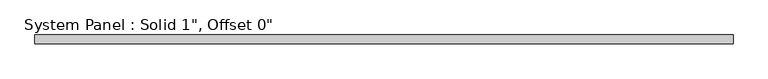
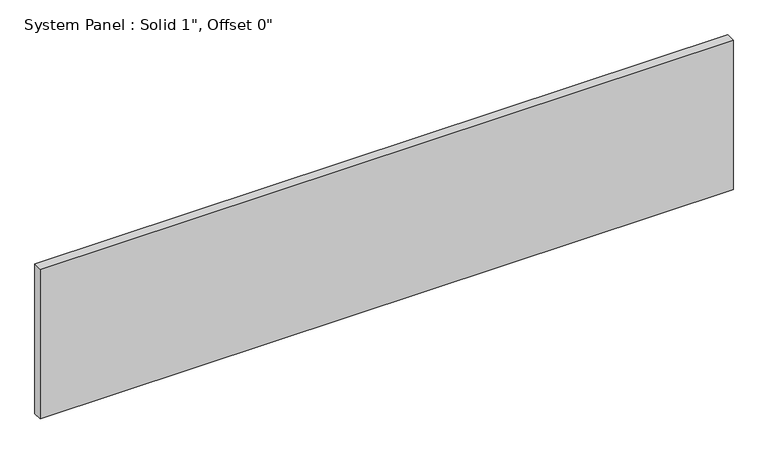
"""IFC4 building model written with IfcOpenShell, lengths in millimetres: plate geometry."""

from ifc_helpers import new_model, si_unit, origin, origin_with_axes, place, context, project, spatial, polyline, outline, extrude, source, transform, mapped, element, save


def plate_2c6d4bef(model_context):
    return source(origin(), model_context, "Body", "SweptSolid", [
        extrude(outline(polyline([(988.5564913, -12.7), (-988.5564913, -12.7), (-988.5564913, 12.7), (988.5564913, 12.7), (988.5564913, -12.7)])), origin_with_axes(), (0.0, 0.0, 1.0), 452.0738583),
    ])


if __name__ == "__main__":
    model = new_model("IFC4")
    model_context = context("Model", 3, world=origin())
    ifc_project = project(units=[si_unit("LENGTHUNIT", "METRE", prefix="MILLI")], contexts=[model_context])
    site = spatial("IfcSite", under=ifc_project)
    building = spatial("IfcBuilding", under=site)
    placement = place(None, origin())
    plate_shape = plate_2c6d4bef(model_context)
    element("IfcPlate", 1, ObjectType="System Panel : Solid 1\", Offset 0\"", at=placement, inside=building, context=model_context, shape_type="MappedRepresentation", body=[
        mapped(plate_shape, transform((0.0, 0.0, 0.0), x_axis=(1.0, 0.0, 0.0), y_axis=(0.0, 1.0, 0.0), z_axis=(0.0, 0.0, 1.0))),
    ])
    save(model, "model.ifc")
